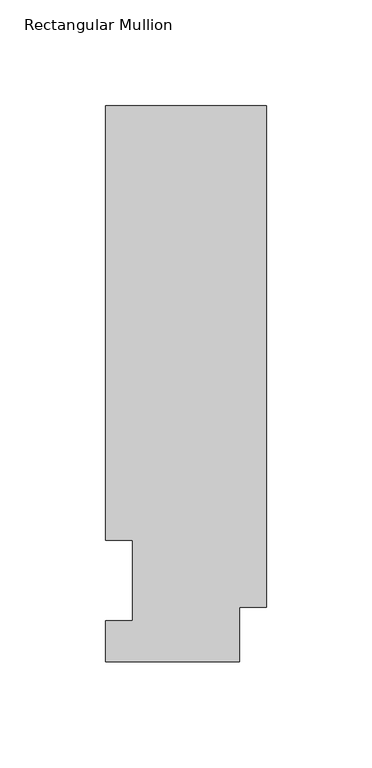
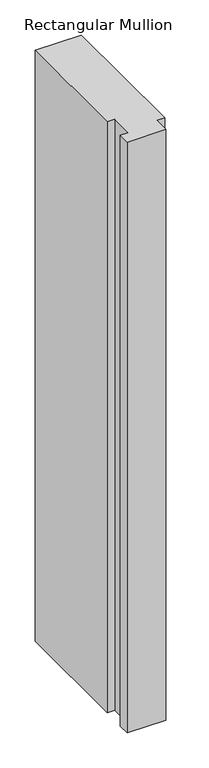
"""IFC4 building model written with IfcOpenShell, lengths in millimetres: member geometry, Rectangular Mullion."""

from ifc_helpers import new_model, si_unit, frame, origin, place, context, project, spatial, polyline, outline, extrude, source, transform, mapped, element, save


def rectangular_mullion_4caa937a(model_context):
    return source(origin(), model_context, "Body", "SweptSolid", [
        extrude(outline(polyline([(0.0, 263.2336938), (0.0, 25.8955957), (-12.7, 25.8955957), (-12.7, 0.0134938), (-76.2, 0.0134938), (-76.2, 19.5460938), (-63.5, 19.5460938), (-63.5, 57.6460938), (-76.2, 57.6460937), (-76.2, 263.2336938), (0.0, 263.2336938)])), frame((0.0, 0.0, -1028.7), z_axis=(0.0, 0.0, 1.0), x_axis=(1.0, 0.0, 0.0)), (0.0, 0.0, 1.0), 1028.7),
    ])


if __name__ == "__main__":
    model = new_model("IFC4")
    model_context = context("Model", 3, world=origin())
    ifc_project = project(units=[si_unit("LENGTHUNIT", "METRE", prefix="MILLI")], contexts=[model_context])
    site = spatial("IfcSite", under=ifc_project)
    building = spatial("IfcBuilding", under=site)
    placement = place(None, origin())
    rectangular_mullion_shape = rectangular_mullion_4caa937a(model_context)
    element("IfcMember", 1, ObjectType="Rectangular Mullion", at=placement, inside=building, context=model_context, shape_type="MappedRepresentation", body=[
        mapped(rectangular_mullion_shape, transform((0.0, 0.0, 0.0), x_axis=(1.0, 0.0, 0.0), y_axis=(0.0, 1.0, 0.0), z_axis=(0.0, 0.0, 1.0))),
    ])
    save(model, "model.ifc")
